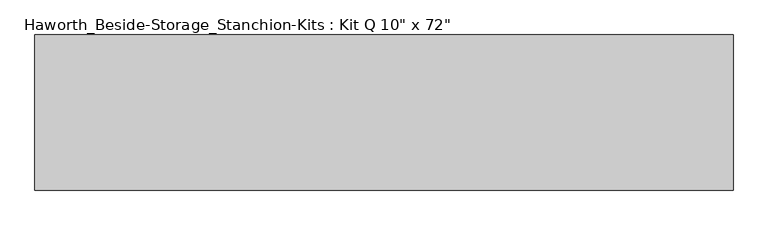
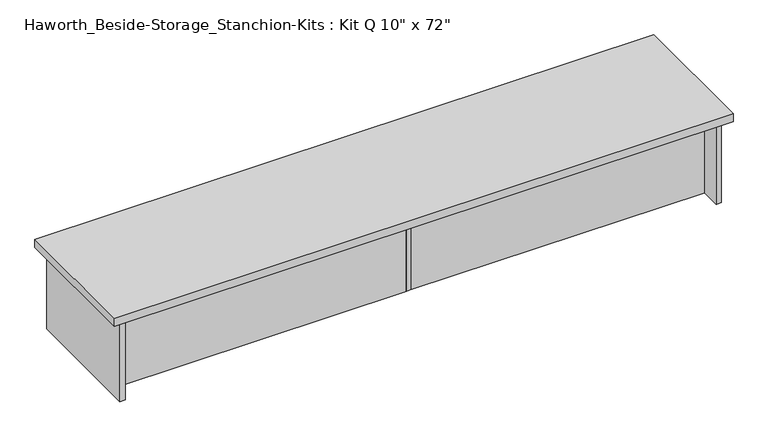
"""IFC4 building model written with IfcOpenShell, lengths in millimetres: furniture geometry."""

from ifc_helpers import new_model, si_unit, frame, origin, place, context, project, spatial, polyline, outline, extrude, source, transform, mapped, element, save


def furniture_ec4e1c8b(model_context):
    return source(origin(), model_context, "Body", "SweptSolid", [
        extrude(outline(polyline([(1076.325, 0.0), (-752.475, 0.0), (-752.475, 406.4), (1076.325, 406.4), (1076.325, 0.0)])), frame((0.0, 0.0, 838.2), z_axis=(0.0, 0.0, 1.0), x_axis=(1.0, 0.0, 0.0)), (0.0, 0.0, 1.0), 25.4),
        extrude(outline(polyline([(169.8625, 76.2), (169.8625, 92.075), (1035.05, 92.075), (1035.05, 76.2), (169.8625, 76.2)])), frame((0.0, 0.0, 584.2), z_axis=(0.0, 0.0, 1.0), x_axis=(1.0, 0.0, 0.0)), (0.0, 0.0, 1.0), 254.0),
        extrude(outline(polyline([(153.9875, 76.2), (-711.2, 76.2), (-711.2, 92.075), (153.9875, 92.075), (153.9875, 76.2)])), frame((0.0, 0.0, 584.2), z_axis=(0.0, 0.0, 1.0), x_axis=(1.0, 0.0, 0.0)), (0.0, 0.0, 1.0), 254.0),
        extrude(outline(polyline([(169.8625, 330.2), (169.8625, 76.2), (153.9875, 76.2), (153.9875, 330.2), (169.8625, 330.2)])), frame((0.0, 0.0, 584.2), z_axis=(0.0, 0.0, 1.0), x_axis=(1.0, 0.0, 0.0)), (0.0, 0.0, 1.0), 254.0),
        extrude(outline(polyline([(1050.925, 390.525), (1050.925, 15.875), (1035.05, 15.875), (1035.05, 390.525), (1050.925, 390.525)])), frame((0.0, 0.0, 584.2), z_axis=(0.0, 0.0, 1.0), x_axis=(1.0, 0.0, 0.0)), (0.0, 0.0, 1.0), 254.0),
        extrude(outline(polyline([(-711.2, 390.525), (-711.2, 15.875), (-727.075, 15.875), (-727.075, 390.525), (-711.2, 390.525)])), frame((0.0, 0.0, 584.2), z_axis=(0.0, 0.0, 1.0), x_axis=(1.0, 0.0, 0.0)), (0.0, 0.0, 1.0), 254.0),
    ])


if __name__ == "__main__":
    model = new_model("IFC4")
    model_context = context("Model", 3, world=origin())
    ifc_project = project(units=[si_unit("LENGTHUNIT", "METRE", prefix="MILLI")], contexts=[model_context])
    site = spatial("IfcSite", under=ifc_project)
    building = spatial("IfcBuilding", under=site)
    placement = place(None, origin())
    furniture_shape = furniture_ec4e1c8b(model_context)
    element("IfcFurniture", 1, ObjectType="Haworth_Beside-Storage_Stanchion-Kits : Kit Q 10\" x 72\"", at=placement, inside=building, context=model_context, shape_type="MappedRepresentation", body=[
        mapped(furniture_shape, transform((0.0, 0.0, 0.0), x_axis=(1.0, 0.0, 0.0), y_axis=(0.0, 1.0, 0.0), z_axis=(0.0, 0.0, 1.0))),
    ])
    save(model, "model.ifc")
